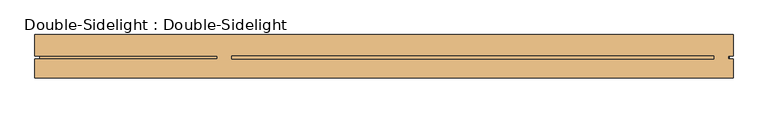
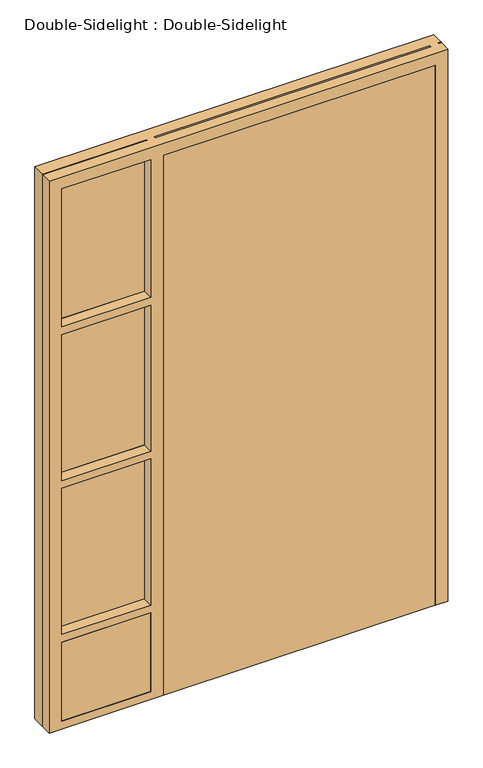
"""IFC4 building model written with IfcOpenShell, lengths in millimetres: door geometry, Double-Sidelight : Double-Sidelight."""

from ifc_helpers import new_model, si_unit, frame, origin, place, context, project, spatial, polyline, circle_curve, ellipse_curve, outline, extrude, source, transform, mapped, element, save
from ifc_brep_helpers import plane_surface, cylinder_surface, revolved_surface, advanced_brep


def double_sidelight_double_sidelight_9008b087(model_context):
    return source(origin(), model_context, "Body", "SolidModel", [
        advanced_brep(
        [(496.4, 0.0, 2086.6), (-496.4, 0.0, 2086.6), (-496.4, -44.45, 2086.6), (496.4, -44.45, 2086.6), (496.4, 0.0, 0.0), (496.4, -44.45, 0.0), (-496.4, -44.45, 0.0), (-496.4, 0.0, 0.0), (396.4, 0.0, 200.0), (396.4, 0.0, 745.5333333), (-396.4, 0.0, 745.5333333), (-396.4, 0.0, 200.0), (396.4, 0.0, 845.5333333), (396.4, 0.0, 1986.6), (-396.4, 0.0, 1986.6), (-396.4, 0.0, 845.5333333), (308.036302, 0.0, 657.1696353), (308.036302, 0.0, 288.363698), (-308.036302, 0.0, 288.363698), (-308.036302, 0.0, 657.1696353), (308.036302, 0.0, 1898.236302), (308.036302, 0.0, 933.8970313), (-308.036302, 0.0, 933.8970313), (-308.036302, 0.0, 1898.236302), (396.4, -1.0183566, 200.0), (396.4, -1.0183566, 745.5333333), (350.7336102, -6.6315511, 699.8669435), (350.7336102, -6.6315511, 245.6663898), (358.1657406, -4.9144196, 707.2990739), (358.1657406, -4.9144196, 238.2342594), (-396.4, -1.0183566, 200.0), (-350.7336102, -6.6315511, 245.6663898), (-358.1657406, -4.9144196, 238.2342594), (-396.4, -1.0183566, 745.5333333), (-350.7336102, -6.6315511, 699.8669435), (-358.1657406, -4.9144196, 707.2990739), (396.4, -1.0183566, 845.5333333), (396.4, -1.0183566, 1986.6), (350.7336102, -6.6315511, 1940.9336102), (350.7336102, -6.6315511, 891.1997232), (358.1657406, -4.9144196, 1948.3657406), (358.1657406, -4.9144196, 883.7675927), (-396.4, -1.0183566, 845.5333333), (-350.7336102, -6.6315511, 891.1997232), (-358.1657406, -4.9144196, 883.7675927), (-396.4, -1.0183566, 1986.6), (-350.7336102, -6.6315511, 1940.9336102), (-358.1657406, -4.9144196, 1948.3657406)],
        [
            (0, 1),
            (1, 2),
            (2, 3),
            (3, 0),
            (4, 5),
            (5, 6),
            (6, 7),
            (7, 4),
            (0, 4),
            (7, 1),
            (8, 9),
            (9, 10),
            (10, 11),
            (11, 8),
            (12, 13),
            (13, 14),
            (14, 15),
            (15, 12),
            (16, 17),
            (17, 18),
            (18, 19),
            (19, 16),
            (20, 21),
            (21, 22),
            (22, 23),
            (23, 20),
            (6, 2),
            (5, 3),
            (24, 25),
            (25, 9),
            (8, 24),
            (26, 27),
            (27, 17, ellipse_curve(frame((341.7362017, 76.2078428, 254.6637983), z_axis=(-0.7071067811865475, 0.0, -0.7071067811865475), x_axis=(-0.7071067811865474, 0.0, 0.7071067811865476)), 117.8415763, 83.3265777)),
            (16, 26, ellipse_curve(frame((341.7362017, 76.2078428, 690.869535), z_axis=(-0.7071067811865475, 0.0, 0.7071067811865475), x_axis=(0.7071067811865474, 0.0, 0.7071067811865476)), 117.8415763, 83.3265777)),
            (26, 28, ellipse_curve(frame((354.6915169, -6.8197298, 703.8248503), z_axis=(0.7071067811865475, 0.0, -0.7071067811865475), x_axis=(-0.7071067811865474, 0.0, -0.7071067811865476)), 5.6036483, 3.9623777)),
            (28, 29),
            (29, 27, ellipse_curve(frame((354.6915169, -6.8197298, 241.7084831), z_axis=(0.7071067811865475, 0.0, 0.7071067811865475), x_axis=(0.7071067811865474, 0.0, -0.7071067811865476)), 5.6036483, 3.9623777)),
            (24, 29, ellipse_curve(frame((389.6777904, -124.6047169, 206.7222096), z_axis=(0.7071067811865475, 0.0, 0.7071067811865475), x_axis=(0.7071067811865474, 0.0, -0.7071067811865476)), 175.0358624, 123.7690453)),
            (28, 25, ellipse_curve(frame((389.6777904, -124.6047169, 738.8111238), z_axis=(0.7071067811865475, 0.0, -0.7071067811865475), x_axis=(-0.7071067811865474, 0.0, -0.7071067811865476)), 175.0358624, 123.7690453)),
            (30, 24),
            (11, 30),
            (27, 31),
            (31, 18, ellipse_curve(frame((-341.7362017, 76.2078428, 254.6637983), z_axis=(-0.7071067811865475, 0.0, 0.7071067811865475), x_axis=(0.7071067811865476, 0.0, 0.7071067811865474)), 117.8415763, 83.3265777)),
            (29, 32),
            (32, 31, ellipse_curve(frame((-354.6915169, -6.8197298, 241.7084831), z_axis=(0.7071067811865475, 0.0, -0.7071067811865475), x_axis=(-0.7071067811865476, 0.0, -0.7071067811865474)), 5.6036483, 3.9623777)),
            (30, 32, ellipse_curve(frame((-389.6777904, -124.6047169, 206.7222096), z_axis=(0.7071067811865475, 0.0, -0.7071067811865475), x_axis=(-0.7071067811865476, 0.0, -0.7071067811865474)), 175.0358624, 123.7690453)),
            (33, 30),
            (10, 33),
            (31, 34),
            (34, 19, ellipse_curve(frame((-341.7362017, 76.2078428, 690.869535), z_axis=(0.7071067811865475, 0.0, 0.7071067811865475), x_axis=(0.7071067811865474, 0.0, -0.7071067811865476)), 117.8415763, 83.3265777)),
            (32, 35),
            (35, 34, ellipse_curve(frame((-354.6915169, -6.8197298, 703.8248503), z_axis=(-0.7071067811865475, 0.0, -0.7071067811865475), x_axis=(-0.7071067811865474, 0.0, 0.7071067811865476)), 5.6036483, 3.9623777)),
            (33, 35, ellipse_curve(frame((-389.6777904, -124.6047169, 738.8111238), z_axis=(-0.7071067811865475, 0.0, -0.7071067811865475), x_axis=(-0.7071067811865474, 0.0, 0.7071067811865476)), 175.0358624, 123.7690453)),
            (25, 33),
            (34, 26),
            (35, 28),
            (36, 37),
            (37, 13),
            (12, 36),
            (38, 39),
            (39, 21, ellipse_curve(frame((341.7362017, 76.2078428, 900.1971316), z_axis=(-0.7071067811865475, 0.0, -0.7071067811865475), x_axis=(-0.7071067811865474, 0.0, 0.7071067811865476)), 117.8415763, 83.3265777)),
            (20, 38, ellipse_curve(frame((341.7362017, 76.2078428, 1931.9362017), z_axis=(-0.7071067811865475, 0.0, 0.7071067811865475), x_axis=(0.7071067811865474, 0.0, 0.7071067811865476)), 117.8415763, 83.3265777)),
            (38, 40, ellipse_curve(frame((354.6915169, -6.8197298, 1944.8915169), z_axis=(0.7071067811865475, 0.0, -0.7071067811865475), x_axis=(-0.7071067811865474, 0.0, -0.7071067811865476)), 5.6036483, 3.9623777)),
            (40, 41),
            (41, 39, ellipse_curve(frame((354.6915169, -6.8197298, 887.2418164), z_axis=(0.7071067811865475, 0.0, 0.7071067811865475), x_axis=(0.7071067811865474, 0.0, -0.7071067811865476)), 5.6036483, 3.9623777)),
            (36, 41, ellipse_curve(frame((389.6777904, -124.6047169, 852.2555429), z_axis=(0.7071067811865475, 0.0, 0.7071067811865475), x_axis=(0.7071067811865474, 0.0, -0.7071067811865476)), 175.0358624, 123.7690453)),
            (40, 37, ellipse_curve(frame((389.6777904, -124.6047169, 1979.8777904), z_axis=(0.7071067811865475, 0.0, -0.7071067811865475), x_axis=(-0.7071067811865474, 0.0, -0.7071067811865476)), 175.0358624, 123.7690453)),
            (42, 36),
            (15, 42),
            (39, 43),
            (43, 22, ellipse_curve(frame((-341.7362017, 76.2078428, 900.1971316), z_axis=(-0.7071067811865475, 0.0, 0.7071067811865475), x_axis=(0.7071067811865476, 0.0, 0.7071067811865474)), 117.8415763, 83.3265777)),
            (41, 44),
            (44, 43, ellipse_curve(frame((-354.6915169, -6.8197298, 887.2418164), z_axis=(0.7071067811865475, 0.0, -0.7071067811865475), x_axis=(-0.7071067811865476, 0.0, -0.7071067811865474)), 5.6036483, 3.9623777)),
            (42, 44, ellipse_curve(frame((-389.6777904, -124.6047169, 852.2555429), z_axis=(0.7071067811865475, 0.0, -0.7071067811865475), x_axis=(-0.7071067811865476, 0.0, -0.7071067811865474)), 175.0358624, 123.7690453)),
            (45, 42),
            (14, 45),
            (43, 46),
            (46, 23, ellipse_curve(frame((-341.7362017, 76.2078428, 1931.9362017), z_axis=(0.7071067811865475, 0.0, 0.7071067811865475), x_axis=(0.7071067811865474, 0.0, -0.7071067811865476)), 117.8415763, 83.3265777)),
            (44, 47),
            (47, 46, ellipse_curve(frame((-354.6915169, -6.8197298, 1944.8915169), z_axis=(-0.7071067811865475, 0.0, -0.7071067811865475), x_axis=(-0.7071067811865474, 0.0, 0.7071067811865476)), 5.6036483, 3.9623777)),
            (45, 47, ellipse_curve(frame((-389.6777904, -124.6047169, 1979.8777904), z_axis=(-0.7071067811865475, 0.0, -0.7071067811865475), x_axis=(-0.7071067811865474, 0.0, 0.7071067811865476)), 175.0358624, 123.7690453)),
            (37, 45),
            (46, 38),
            (47, 40),
        ],
        [
            plane_surface(frame((-496.4, 0.0, 2086.6), z_axis=(0.0, 0.0, 1.0), x_axis=(-1.0, 0.0, 0.0))),
            plane_surface(frame((-496.4, 0.0, 0.0), z_axis=(0.0, 0.0, -1.0), x_axis=(1.0, 0.0, 0.0))),
            plane_surface(frame((496.4, 0.0, 2086.6), z_axis=(0.0, 1.0, 0.0), x_axis=(0.0, 0.0, -1.0))),
            plane_surface(frame((-496.4, 0.0, 2086.6), z_axis=(-1.0, 0.0, 0.0), x_axis=(0.0, 0.0, -1.0))),
            plane_surface(frame((-496.4, -44.45, 2086.6), z_axis=(0.0, -1.0, 0.0), x_axis=(0.0, 0.0, -1.0))),
            plane_surface(frame((496.4, -44.45, 2086.6), z_axis=(1.0, 0.0, 0.0), x_axis=(0.0, 0.0, -1.0))),
            plane_surface(frame((396.4, -1.0183566, 745.5333333), z_axis=(-1.0, 0.0, 0.0), x_axis=(0.0, 0.0, -1.0))),
            revolved_surface(polyline([(258.409624, 76.2078428, 774.196112707442), (258.409624, 76.2078428, 171.33722059255808)]), (341.7362017, 76.2078428, 745.5333333), (0.0, 0.0, 1.0)),
            cylinder_surface(frame((354.6915169, -6.8197298, 745.5333333), z_axis=(0.0, 0.0, -1.0), x_axis=(-1.0, 0.0, 0.0)), 3.9623777),
            cylinder_surface(frame((389.6777904, -124.6047169, 745.5333333), z_axis=(0.0, 0.0, -1.0), x_axis=(-1.0, 0.0, 0.0)), 123.7690453),
            plane_surface(frame((396.4, -1.0183566, 200.0), z_axis=(0.0, 0.0, 1.0), x_axis=(-1.0, 0.0, 0.0))),
            revolved_surface(polyline([(425.0627794074419, 76.2078428, 337.99037599999997), (-425.0627794074419, 76.2078428, 337.99037599999997)]), (396.4, 76.2078428, 254.6637983), (1.0, 0.0, 0.0)),
            cylinder_surface(frame((396.4, -6.8197298, 241.7084831), z_axis=(-1.0, 0.0, 0.0), x_axis=(0.0, 0.0, 1.0)), 3.9623777),
            cylinder_surface(frame((396.4, -124.6047169, 206.7222096), z_axis=(-1.0, 0.0, 0.0), x_axis=(0.0, 0.0, 1.0)), 123.7690453),
            plane_surface(frame((-396.4, -1.0183566, 200.0), z_axis=(1.0, 0.0, 0.0), x_axis=(0.0, 0.0, 1.0))),
            revolved_surface(polyline([(-258.409624, 76.2078428, 171.33722059255808), (-258.409624, 76.2078428, 774.196112707442)]), (-341.7362017, 76.2078428, 200.0), (0.0, 0.0, -1.0)),
            cylinder_surface(frame((-354.6915169, -6.8197298, 200.0), z_axis=(0.0, 0.0, 1.0), x_axis=(1.0, 0.0, 0.0)), 3.9623777),
            cylinder_surface(frame((-389.6777904, -124.6047169, 200.0), z_axis=(0.0, 0.0, 1.0), x_axis=(1.0, 0.0, 0.0)), 123.7690453),
            plane_surface(frame((-396.4, -1.0183566, 745.5333333), z_axis=(0.0, 0.0, -1.0), x_axis=(1.0, 0.0, 0.0))),
            revolved_surface(polyline([(-425.0627794074419, 76.2078428, 607.5429573), (425.0627794074419, 76.2078428, 607.5429573)]), (-396.4, 76.2078428, 690.869535), (-1.0, 0.0, 0.0)),
            cylinder_surface(frame((-396.4, -6.8197298, 703.8248503), z_axis=(1.0, 0.0, 0.0), x_axis=(0.0, 0.0, -1.0)), 3.9623777),
            cylinder_surface(frame((-396.4, -124.6047169, 738.8111238), z_axis=(1.0, 0.0, 0.0), x_axis=(0.0, 0.0, -1.0)), 123.7690453),
            plane_surface(frame((396.4, -1.0183566, 1986.6), z_axis=(-1.0, 0.0, 0.0), x_axis=(0.0, 0.0, -1.0))),
            revolved_surface(polyline([(258.409624, 76.2078428, 2015.262779407442), (258.409624, 76.2078428, 816.8705538925581)]), (341.7362017, 76.2078428, 1986.6), (0.0, 0.0, 1.0)),
            cylinder_surface(frame((354.6915169, -6.8197298, 1986.6), z_axis=(0.0, 0.0, -1.0), x_axis=(-1.0, 0.0, 0.0)), 3.9623777),
            cylinder_surface(frame((389.6777904, -124.6047169, 1986.6), z_axis=(0.0, 0.0, -1.0), x_axis=(-1.0, 0.0, 0.0)), 123.7690453),
            plane_surface(frame((396.4, -1.0183566, 845.5333333), z_axis=(0.0, 0.0, 1.0), x_axis=(-1.0, 0.0, 0.0))),
            revolved_surface(polyline([(425.0627794074419, 76.2078428, 983.5237093000001), (-425.0627794074419, 76.2078428, 983.5237093000001)]), (396.4, 76.2078428, 900.1971316), (1.0, 0.0, 0.0)),
            cylinder_surface(frame((396.4, -6.8197298, 887.2418164), z_axis=(-1.0, 0.0, 0.0), x_axis=(0.0, 0.0, 1.0)), 3.9623777),
            cylinder_surface(frame((396.4, -124.6047169, 852.2555429), z_axis=(-1.0, 0.0, 0.0), x_axis=(0.0, 0.0, 1.0)), 123.7690453),
            plane_surface(frame((-396.4, -1.0183566, 845.5333333), z_axis=(1.0, 0.0, 0.0), x_axis=(0.0, 0.0, 1.0))),
            revolved_surface(polyline([(-258.409624, 76.2078428, 816.8705538925581), (-258.409624, 76.2078428, 2015.262779407442)]), (-341.7362017, 76.2078428, 845.5333333), (0.0, 0.0, -1.0)),
            cylinder_surface(frame((-354.6915169, -6.8197298, 845.5333333), z_axis=(0.0, 0.0, 1.0), x_axis=(1.0, 0.0, 0.0)), 3.9623777),
            cylinder_surface(frame((-389.6777904, -124.6047169, 845.5333333), z_axis=(0.0, 0.0, 1.0), x_axis=(1.0, 0.0, 0.0)), 123.7690453),
            plane_surface(frame((-396.4, -1.0183566, 1986.6), z_axis=(0.0, 0.0, -1.0), x_axis=(1.0, 0.0, 0.0))),
            revolved_surface(polyline([(-425.0627794074419, 76.2078428, 1848.6096240000002), (425.0627794074419, 76.2078428, 1848.6096240000002)]), (-396.4, 76.2078428, 1931.9362017), (-1.0, 0.0, 0.0)),
            cylinder_surface(frame((-396.4, -6.8197298, 1944.8915169), z_axis=(1.0, 0.0, 0.0), x_axis=(0.0, 0.0, -1.0)), 3.9623777),
            cylinder_surface(frame((-396.4, -124.6047169, 1979.8777904), z_axis=(1.0, 0.0, 0.0), x_axis=(0.0, 0.0, -1.0)), 123.7690453),
        ],
        [
            (0, [[1, 2, 3, 4]]),
            (1, [[5, 6, 7, 8]]),
            (2, [[-1, 9, -8, 10], [11, 12, 13, 14], [15, 16, 17, 18]]),
            (2, [[19, 20, 21, 22]]),
            (2, [[23, 24, 25, 26]]),
            (3, [[-2, -10, -7, 27]]),
            (4, [[-3, -27, -6, 28]]),
            (5, [[-4, -28, -5, -9]]),
            (6, [[29, 30, -11, 31]]),
            (7, [[32, 33, -19, 34]]),
            (8, [[-32, 35, 36, 37]]),
            (9, [[-29, 38, -36, 39]]),
            (10, [[40, -31, -14, 41]]),
            (11, [[42, 43, -20, -33]]),
            (12, [[-37, 44, 45, -42]]),
            (13, [[-38, -40, 46, -44]]),
            (14, [[47, -41, -13, 48]]),
            (15, [[49, 50, -21, -43]]),
            (16, [[-45, 51, 52, -49]]),
            (17, [[-46, -47, 53, -51]]),
            (18, [[54, -48, -12, -30]]),
            (19, [[55, -34, -22, -50]]),
            (20, [[-35, -55, -52, 56]]),
            (21, [[-39, -56, -53, -54]]),
            (22, [[57, 58, -15, 59]]),
            (23, [[60, 61, -23, 62]]),
            (24, [[-60, 63, 64, 65]]),
            (25, [[-57, 66, -64, 67]]),
            (26, [[68, -59, -18, 69]]),
            (27, [[70, 71, -24, -61]]),
            (28, [[-65, 72, 73, -70]]),
            (29, [[-66, -68, 74, -72]]),
            (30, [[75, -69, -17, 76]]),
            (31, [[77, 78, -25, -71]]),
            (32, [[-73, 79, 80, -77]]),
            (33, [[-74, -75, 81, -79]]),
            (34, [[82, -76, -16, -58]]),
            (35, [[83, -62, -26, -78]]),
            (36, [[-63, -83, -80, 84]]),
            (37, [[-67, -84, -81, -82]]),
        ],
    ),
        extrude(outline(polyline([(-874.4, -6.0), (-874.4, 0.0), (-533.4, 0.0), (-533.4, -6.0), (-874.4, -6.0)])), frame((0.0, 0.0, 960.7333333), z_axis=(0.0, 0.0, 1.0), x_axis=(1.0, 0.0, 0.0)), (0.0, 0.0, 1.0), 573.3333333),
        advanced_brep(
        [(-867.4, 45.0, 0.0), (-867.4, 43.0, 0.0), (-861.4, 37.0, 0.0), (-541.4, 37.0, 0.0), (-535.4, 43.0, 0.0), (-535.4, 45.0, 0.0), (-496.4, 45.0, 0.0), (-496.4, 43.0, 0.0), (-490.4, 37.0, 0.0), (-488.4, 37.0, 0.0), (-488.4, 0.0, 0.0), (-503.4, 0.0, 0.0), (-503.4, -6.0, 0.0), (-496.4, -6.0, 0.0), (-496.4, -45.0, 0.0), (-914.4, -45.0, 0.0), (-914.4, -6.0, 0.0), (-904.4, -6.0, 0.0), (-904.4, 0.0, 0.0), (-914.4, 0.0, 0.0), (-914.4, 45.0, 0.0), (-533.4, -6.0, 0.0), (-533.4, 0.0, 0.0), (-874.4, 0.0, 0.0), (-874.4, -6.0, 0.0), (-867.4, 45.0, 8.0), (-867.4, 43.0, 8.0), (-867.4, 45.0, 343.0), (-867.4, 43.0, 343.0), (-867.4, 43.0, 22.0), (-867.4, 45.0, 22.0), (-867.4, 45.0, 937.5333333), (-867.4, 43.0, 937.5333333), (-867.4, 43.0, 357.0), (-867.4, 45.0, 357.0), (-867.4, 45.0, 2086.6), (-867.4, 43.0, 2086.6), (-867.4, 43.0, 1546.0666667), (-867.4, 45.0, 1546.0666667), (-867.4, 45.0, 1532.0666667), (-867.4, 43.0, 1532.0666667), (-867.4, 43.0, 951.5333333), (-867.4, 45.0, 951.5333333), (-861.4, 37.0, 2.0), (-861.4, 37.0, 337.0), (-861.4, 37.0, 28.0), (-861.4, 37.0, 931.5333333), (-861.4, 37.0, 363.0), (-861.4, 37.0, 2080.6), (-861.4, 37.0, 1552.0666667), (-861.4, 37.0, 1526.0666667), (-861.4, 37.0, 957.5333333), (-541.4, 37.0, 931.5333333), (-541.4, 37.0, 363.0), (-543.4, 37.0, 929.5333333), (-859.4, 37.0, 929.5333333), (-859.4, 37.0, 365.0), (-543.4, 37.0, 365.0), (-541.4, 37.0, 1526.0666667), (-541.4, 37.0, 957.5333333), (-543.4, 37.0, 1524.0666667), (-859.4, 37.0, 1524.0666667), (-859.4, 37.0, 959.5333333), (-543.4, 37.0, 959.5333333), (-543.4, 37.0, 2.0), (-543.4, 37.0, 28.0), (-541.4, 37.0, 337.0), (-859.4, 37.0, 335.0), (-859.4, 37.0, 30.0), (-543.4, 37.0, 30.0), (-543.4, 37.0, 335.0), (490.4, 37.0, 2080.6), (490.4, 37.0, 0.0), (488.4, 37.0, 0.0), (488.4, 37.0, 2078.6), (-488.4, 37.0, 2078.6), (-490.4, 37.0, 2080.6), (-541.4, 37.0, 2080.6), (-541.4, 37.0, 1552.0666667), (-543.4, 37.0, 2078.6), (-859.4, 37.0, 2078.6), (-859.4, 37.0, 1554.0666667), (-543.4, 37.0, 1554.0666667), (-859.4, 0.0, 335.0), (-859.4, 0.0, 30.0), (-859.4, 0.0, 929.5333333), (-859.4, 0.0, 365.0), (-859.4, 0.0, 2078.6), (-859.4, 0.0, 1554.0666667), (-859.4, 0.0, 1524.0666667), (-859.4, 0.0, 959.5333333), (-874.4, 0.0, 2093.6), (-533.4, 0.0, 2093.6), (-543.4, 0.0, 929.5333333), (-543.4, 0.0, 365.0), (-867.4, 0.0, 345.0), (-867.4, 0.0, 355.0), (-535.4, 0.0, 355.0), (-535.4, 0.0, 345.0), (-867.4, 0.0, 939.5333333), (-867.4, 0.0, 949.5333333), (-535.4, 0.0, 949.5333333), (-535.4, 0.0, 939.5333333), (-543.4, 0.0, 1524.0666667), (-543.4, 0.0, 959.5333333), (-867.4, 0.0, 1534.0666667), (-867.4, 0.0, 1544.0666667), (-535.4, 0.0, 1544.0666667), (-535.4, 0.0, 1534.0666667), (-543.4, 0.0, 335.0), (-543.4, 0.0, 30.0), (-543.4, 0.0, 20.0), (-543.4, 0.0, 10.0), (-867.4, 0.0, 10.0), (-867.4, 0.0, 20.0), (-543.4, 0.0, 2078.6), (-543.4, 0.0, 1554.0666667), (488.4, 0.0, 2078.6), (488.4, 0.0, 0.0), (503.4, 0.0, 0.0), (503.4, 0.0, 1534.0666667), (496.4, 0.0, 1534.0666667), (496.4, 0.0, 1544.0666667), (503.4, 0.0, 1544.0666667), (503.4, 0.0, 2093.6), (-503.4, 0.0, 2093.6), (-488.4, 0.0, 2078.6), (-874.4, -6.0, 2093.6), (503.4, -6.0, 0.0), (496.4, -6.0, 0.0), (496.4, -6.0, 1534.0666667), (503.4, -6.0, 1534.0666667), (-533.4, -6.0, 2093.6), (-543.4, -6.0, 929.5333333), (-867.4, -6.0, 929.5333333), (-867.4, -6.0, 365.0), (-543.4, -6.0, 365.0), (-867.4, -6.0, 355.0), (-867.4, -6.0, 345.0), (-535.4, -6.0, 345.0), (-535.4, -6.0, 355.0), (-867.4, -6.0, 949.5333333), (-867.4, -6.0, 939.5333333), (-535.4, -6.0, 939.5333333), (-535.4, -6.0, 949.5333333), (-543.4, -6.0, 1524.0666667), (-867.4, -6.0, 1524.0666667), (-867.4, -6.0, 959.5333333), (-543.4, -6.0, 959.5333333), (-867.4, -6.0, 1544.0666667), (-867.4, -6.0, 1534.0666667), (-535.4, -6.0, 1534.0666667), (-535.4, -6.0, 1544.0666667), (-867.4, -6.0, 335.0), (-867.4, -6.0, 30.0), (-543.4, -6.0, 30.0), (-543.4, -6.0, 335.0), (-867.4, -6.0, 20.0), (-867.4, -6.0, 10.0), (-543.4, -6.0, 10.0), (-543.4, -6.0, 20.0), (-543.4, -6.0, 2086.6), (-867.4, -6.0, 2086.6), (-867.4, -6.0, 1554.0666667), (-543.4, -6.0, 1554.0666667), (503.4, -6.0, 1544.0666667), (496.4, -6.0, 1544.0666667), (496.4, -6.0, 2086.6), (-496.4, -6.0, 2086.6), (-503.4, -6.0, 2093.6), (503.4, -6.0, 2093.6), (-867.4, -45.0, 335.0), (-867.4, -45.0, 30.0), (-867.4, -45.0, 929.5333333), (-867.4, -45.0, 365.0), (-867.4, -45.0, 2086.6), (-867.4, -45.0, 1554.0666667), (-867.4, -45.0, 1524.0666667), (-867.4, -45.0, 959.5333333), (-496.4, -45.0, 2086.6), (496.4, -45.0, 2086.6), (496.4, -45.0, 0.0), (543.4, -45.0, 0.0), (543.4, -45.0, 2133.6), (-914.4, -45.0, 2133.6), (-543.4, -45.0, 929.5333333), (-543.4, -45.0, 365.0), (-543.4, -45.0, 1524.0666667), (-543.4, -45.0, 959.5333333), (-543.4, -45.0, 335.0), (-543.4, -45.0, 30.0), (-543.4, -45.0, 2086.6), (-543.4, -45.0, 1554.0666667), (-914.4, -6.0, 2133.6), (-533.4, -6.0, 2133.6), (-533.4, -6.0, 2123.6), (-543.4, -6.0, 2123.6), (-904.4, -6.0, 2123.6), (543.4, -6.0, 2133.6), (543.4, -6.0, 0.0), (533.4, -6.0, 0.0), (533.4, -6.0, 1524.0666667), (533.4, -6.0, 1534.0666667), (535.4, -6.0, 1534.0666667), (535.4, -6.0, 1544.0666667), (533.4, -6.0, 1544.0666667), (533.4, -6.0, 1554.0666667), (533.4, -6.0, 2133.6), (503.4, -6.0, 2123.6), (496.4, -6.0, 2123.6), (-496.4, -6.0, 2123.6), (-503.4, -6.0, 2123.6), (-503.4, -6.0, 2133.6), (503.4, -6.0, 2133.6), (-904.4, 0.0, 2123.6), (-543.4, 0.0, 2123.6), (-533.4, 0.0, 2123.6), (-533.4, 0.0, 2133.6), (-914.4, 0.0, 2133.6), (533.4, 0.0, 0.0), (543.4, 0.0, 0.0), (543.4, 0.0, 2133.6), (533.4, 0.0, 2133.6), (533.4, 0.0, 1554.0666667), (533.4, 0.0, 1544.0666667), (535.4, 0.0, 1544.0666667), (535.4, 0.0, 1534.0666667), (533.4, 0.0, 1534.0666667), (533.4, 0.0, 1524.0666667), (488.4, 0.0, 2123.6), (503.4, 0.0, 2123.6), (503.4, 0.0, 2133.6), (-503.4, 0.0, 2133.6), (-503.4, 0.0, 2123.6), (-488.4, 0.0, 2123.6), (-914.4, 45.0, 2133.6), (543.4, 45.0, 2133.6), (543.4, 45.0, 0.0), (496.4, 45.0, 0.0), (496.4, 45.0, 2086.6), (-496.4, 45.0, 2086.6), (-535.4, 45.0, 343.0), (-543.4, 45.0, 22.0), (-543.4, 45.0, 8.0), (-535.4, 45.0, 937.5333333), (-535.4, 45.0, 357.0), (-535.4, 45.0, 1532.0666667), (-535.4, 45.0, 951.5333333), (-535.4, 45.0, 2086.6), (-535.4, 45.0, 1546.0666667), (-535.4, 43.0, 343.0), (-535.4, 43.0, 951.5333333), (-535.4, 43.0, 937.5333333), (-535.4, 43.0, 357.0), (-535.4, 43.0, 2086.6), (-535.4, 43.0, 1546.0666667), (-535.4, 43.0, 1532.0666667), (496.4, 43.0, 0.0), (543.4, 37.0, 0.0), (-496.4, 43.0, 2086.6), (496.4, 43.0, 2086.6), (496.4, 43.0, 1546.0666667), (496.4, 43.0, 1532.0666667), (-543.4, 43.0, 8.0), (-543.4, 43.0, 22.0)],
        [
            (0, 1),
            (1, 2, circle_curve(frame((-867.4, 37.0, 0.0), z_axis=(0.0, 0.0, -1.0), x_axis=(0.0, -1.0, 0.0)), 6.0)),
            (2, 3),
            (3, 4, circle_curve(frame((-535.4, 37.0, 0.0), z_axis=(0.0, 0.0, -1.0), x_axis=(0.0, -1.0, 0.0)), 6.0)),
            (4, 5),
            (5, 6),
            (6, 7),
            (7, 8, circle_curve(frame((-496.4, 37.0, 0.0), z_axis=(0.0, 0.0, -1.0), x_axis=(0.0, -1.0, 0.0)), 6.0)),
            (8, 9),
            (9, 10),
            (10, 11),
            (11, 12),
            (12, 13),
            (13, 14),
            (14, 15),
            (15, 16),
            (16, 17),
            (17, 18),
            (18, 19),
            (19, 20),
            (20, 0),
            (21, 22),
            (22, 23),
            (23, 24),
            (24, 21),
            (0, 25),
            (25, 26),
            (26, 1),
            (27, 28),
            (28, 29),
            (29, 30),
            (30, 27),
            (31, 32),
            (32, 33),
            (33, 34),
            (34, 31),
            (35, 36),
            (36, 37),
            (37, 38),
            (38, 35),
            (39, 40),
            (40, 41),
            (41, 42),
            (42, 39),
            (26, 43, ellipse_curve(frame((-867.4, 37.0, 8.0), z_axis=(-0.7071067811865475, 0.0, -0.7071067811865476), x_axis=(0.7071067811865476, 0.0, -0.7071067811865475)), 8.4852814, 6.0)),
            (43, 2),
            (28, 44, ellipse_curve(frame((-867.4, 37.0, 343.0), z_axis=(-0.7071067811865475, 0.0, -0.7071067811865475), x_axis=(0.7071067811865474, 0.0, -0.7071067811865476)), 8.4852814, 6.0)),
            (44, 45),
            (45, 29, ellipse_curve(frame((-867.4, 37.0, 22.0), z_axis=(-0.7071067811865476, 0.0, 0.7071067811865475), x_axis=(-0.7071067811865475, 0.0, -0.7071067811865476)), 8.4852814, 6.0)),
            (32, 46, ellipse_curve(frame((-867.4, 37.0, 937.5333333), z_axis=(-0.7071067811865475, 0.0, -0.7071067811865475), x_axis=(0.7071067811865474, 0.0, -0.7071067811865476)), 8.4852814, 6.0)),
            (46, 47),
            (47, 33, ellipse_curve(frame((-867.4, 37.0, 357.0), z_axis=(-0.7071067811865475, 0.0, 0.7071067811865475), x_axis=(-0.7071067811865474, 0.0, -0.7071067811865476)), 8.4852814, 6.0)),
            (36, 48, ellipse_curve(frame((-867.4, 37.0, 2086.6), z_axis=(-0.7071067811865475, 0.0, -0.7071067811865475), x_axis=(0.7071067811865474, 0.0, -0.7071067811865476)), 8.4852814, 6.0)),
            (48, 49),
            (49, 37, ellipse_curve(frame((-867.4, 37.0, 1546.0666667), z_axis=(-0.7071067811865475, 0.0, 0.7071067811865475), x_axis=(-0.7071067811865474, 0.0, -0.7071067811865476)), 8.4852814, 6.0)),
            (40, 50, ellipse_curve(frame((-867.4, 37.0, 1532.0666667), z_axis=(-0.7071067811865475, 0.0, -0.7071067811865475), x_axis=(0.7071067811865474, 0.0, -0.7071067811865476)), 8.4852814, 6.0)),
            (50, 51),
            (51, 41, ellipse_curve(frame((-867.4, 37.0, 951.5333333), z_axis=(-0.7071067811865475, 0.0, 0.7071067811865475), x_axis=(-0.7071067811865474, 0.0, -0.7071067811865476)), 8.4852814, 6.0)),
            (46, 52),
            (52, 53),
            (53, 47),
            (54, 55),
            (55, 56),
            (56, 57),
            (57, 54),
            (50, 58),
            (58, 59),
            (59, 51),
            (60, 61),
            (61, 62),
            (62, 63),
            (63, 60),
            (43, 64),
            (64, 65),
            (65, 45),
            (44, 66),
            (66, 3),
            (67, 68),
            (68, 69),
            (69, 70),
            (70, 67),
            (71, 72),
            (72, 73),
            (73, 74),
            (74, 75),
            (75, 9),
            (8, 76),
            (76, 71),
            (48, 77),
            (77, 78),
            (78, 49),
            (79, 80),
            (80, 81),
            (81, 82),
            (82, 79),
            (67, 83),
            (83, 84),
            (84, 68),
            (55, 85),
            (85, 86),
            (86, 56),
            (80, 87),
            (87, 88),
            (88, 81),
            (61, 89),
            (89, 90),
            (90, 62),
            (91, 23),
            (22, 92),
            (92, 91),
            (85, 93),
            (93, 94),
            (94, 86),
            (95, 96),
            (96, 97),
            (97, 98),
            (98, 95),
            (99, 100),
            (100, 101),
            (101, 102),
            (102, 99),
            (89, 103),
            (103, 104),
            (104, 90),
            (105, 106),
            (106, 107),
            (107, 108),
            (108, 105),
            (109, 110),
            (110, 84),
            (83, 109),
            (111, 112),
            (112, 113),
            (113, 114),
            (114, 111),
            (87, 115),
            (115, 116),
            (116, 88),
            (117, 118),
            (118, 119),
            (119, 120),
            (120, 121),
            (121, 122),
            (122, 123),
            (123, 124),
            (124, 125),
            (125, 11),
            (10, 126),
            (126, 117),
            (91, 127),
            (127, 24),
            (128, 129),
            (129, 130),
            (130, 131),
            (131, 128),
            (127, 132),
            (132, 21),
            (133, 134),
            (134, 135),
            (135, 136),
            (136, 133),
            (137, 138),
            (138, 139),
            (139, 140),
            (140, 137),
            (141, 142),
            (142, 143),
            (143, 144),
            (144, 141),
            (145, 146),
            (146, 147),
            (147, 148),
            (148, 145),
            (149, 150),
            (150, 151),
            (151, 152),
            (152, 149),
            (153, 154),
            (154, 155),
            (155, 156),
            (156, 153),
            (157, 158),
            (158, 159),
            (159, 160),
            (160, 157),
            (161, 162),
            (162, 163),
            (163, 164),
            (164, 161),
            (165, 166),
            (166, 167),
            (167, 168),
            (168, 13),
            (12, 169),
            (169, 170),
            (170, 165),
            (153, 171),
            (171, 172),
            (172, 154),
            (134, 173),
            (173, 174),
            (174, 135),
            (162, 175),
            (175, 176),
            (176, 163),
            (146, 177),
            (177, 178),
            (178, 147),
            (14, 179),
            (179, 180),
            (180, 181),
            (181, 182),
            (182, 183),
            (183, 184),
            (184, 15),
            (173, 185),
            (185, 186),
            (186, 174),
            (177, 187),
            (187, 188),
            (188, 178),
            (189, 190),
            (190, 172),
            (171, 189),
            (175, 191),
            (191, 192),
            (192, 176),
            (184, 193),
            (193, 16),
            (193, 194),
            (194, 195),
            (195, 196),
            (196, 197),
            (197, 17),
            (198, 199),
            (199, 200),
            (200, 201),
            (201, 202),
            (202, 203),
            (203, 204),
            (204, 205),
            (205, 206),
            (206, 207),
            (207, 198),
            (208, 209),
            (209, 210),
            (210, 211),
            (211, 212),
            (212, 213),
            (213, 208),
            (197, 214),
            (214, 18),
            (214, 215),
            (215, 216),
            (216, 217),
            (217, 218),
            (218, 19),
            (219, 220),
            (220, 221),
            (221, 222),
            (222, 223),
            (223, 224),
            (224, 225),
            (225, 226),
            (226, 227),
            (227, 228),
            (228, 219),
            (229, 230),
            (230, 231),
            (231, 232),
            (232, 233),
            (233, 234),
            (234, 229),
            (218, 235),
            (235, 20),
            (235, 236),
            (236, 237),
            (237, 238),
            (238, 239),
            (239, 240),
            (240, 6),
            (5, 241),
            (241, 27),
            (30, 242),
            (242, 243),
            (243, 25),
            (244, 31),
            (34, 245),
            (245, 244),
            (246, 39),
            (42, 247),
            (247, 246),
            (248, 35),
            (38, 249),
            (249, 248),
            (241, 250),
            (250, 28),
            (41, 251),
            (251, 247),
            (244, 252),
            (252, 32),
            (33, 253),
            (253, 245),
            (250, 66, ellipse_curve(frame((-535.4, 37.0, 343.0), z_axis=(-0.7071067811865476, 0.0, 0.7071067811865475), x_axis=(-0.7071067811865475, 0.0, -0.7071067811865476)), 8.4852814, 6.0)),
            (59, 251, ellipse_curve(frame((-535.4, 37.0, 951.5333333), z_axis=(-0.7071067811865475, 0.0, -0.7071067811865476), x_axis=(-0.7071067811865476, 0.0, 0.7071067811865475)), 8.4852814, 6.0)),
            (252, 52, ellipse_curve(frame((-535.4, 37.0, 937.5333333), z_axis=(-0.7071067811865476, 0.0, 0.7071067811865475), x_axis=(-0.7071067811865475, 0.0, -0.7071067811865476)), 8.4852814, 6.0)),
            (53, 253, ellipse_curve(frame((-535.4, 37.0, 357.0), z_axis=(-0.7071067811865475, 0.0, -0.7071067811865476), x_axis=(-0.7071067811865476, 0.0, 0.7071067811865475)), 8.4852814, 6.0)),
            (252, 253),
            (250, 4),
            (77, 254, ellipse_curve(frame((-535.4, 37.0, 2086.6), z_axis=(0.7071067811865476, 0.0, -0.7071067811865475), x_axis=(0.7071067811865475, 0.0, 0.7071067811865475)), 8.4852814, 6.0)),
            (254, 255),
            (255, 78, ellipse_curve(frame((-535.4, 37.0, 1546.0666667), z_axis=(0.7071067811865475, 0.0, 0.7071067811865476), x_axis=(-0.7071067811865475, 0.0, 0.7071067811865475)), 8.4852814, 6.0)),
            (58, 256, ellipse_curve(frame((-535.4, 37.0, 1532.0666667), z_axis=(0.7071067811865476, 0.0, -0.7071067811865475), x_axis=(0.7071067811865475, 0.0, 0.7071067811865475)), 8.4852814, 6.0)),
            (256, 251),
            (109, 70),
            (69, 110),
            (93, 54),
            (57, 94),
            (115, 79),
            (82, 116),
            (103, 60),
            (63, 104),
            (72, 257, circle_curve(frame((496.4, 37.0, 0.0), z_axis=(0.0, 0.0, -1.0), x_axis=(0.0, -1.0, 0.0)), 6.0)),
            (257, 238),
            (237, 258),
            (258, 220),
            (219, 200),
            (199, 182),
            (181, 129),
            (128, 119),
            (118, 73),
            (75, 126),
            (7, 259),
            (259, 76, ellipse_curve(frame((-496.4, 37.0, 2086.6), z_axis=(-0.7071067811865475, 0.0, -0.7071067811865476), x_axis=(-0.7071067811865475, 0.0, 0.7071067811865475)), 8.4852814, 6.0)),
            (117, 74),
            (71, 260, ellipse_curve(frame((496.4, 37.0, 2086.6), z_axis=(0.7071067811865475, 0.0, -0.7071067811865475), x_axis=(0.7071067811865474, 0.0, 0.7071067811865476)), 8.4852814, 6.0)),
            (260, 261),
            (261, 262),
            (262, 257),
            (132, 92),
            (194, 217),
            (216, 195),
            (95, 138),
            (137, 96),
            (140, 97),
            (139, 98),
            (213, 231),
            (230, 208),
            (125, 169),
            (232, 212),
            (211, 233),
            (131, 120),
            (170, 124),
            (123, 165),
            (99, 142),
            (141, 100),
            (144, 101),
            (143, 102),
            (189, 156),
            (155, 190),
            (185, 133),
            (136, 186),
            (191, 161),
            (164, 192),
            (187, 145),
            (148, 188),
            (168, 179),
            (180, 167),
            (166, 122),
            (121, 130),
            (198, 183),
            (227, 202),
            (222, 207),
            (205, 224),
            (236, 221),
            (254, 248),
            (249, 255),
            (256, 246),
            (260, 239),
            (240, 259),
            (254, 36),
            (260, 259),
            (225, 204),
            (203, 226),
            (105, 150),
            (149, 106),
            (107, 152),
            (151, 108),
            (256, 40),
            (255, 37),
            (243, 263),
            (263, 26),
            (264, 242),
            (29, 264),
            (263, 64, circle_curve(frame((-543.4, 37.0, 8.0), z_axis=(-1.0, 0.0, 0.0), x_axis=(0.0, -1.0, 0.0)), 6.0)),
            (65, 264, circle_curve(frame((-543.4, 37.0, 22.0), z_axis=(-1.0, 0.0, 0.0), x_axis=(0.0, -1.0, 0.0)), 6.0)),
            (111, 160),
            (159, 112),
            (158, 113),
            (157, 114),
        ],
        [
            plane_surface(frame((-914.4, 0.0, 0.0), z_axis=(0.0, 0.0, -1.0), x_axis=(0.0, -1.0, 0.0))),
            plane_surface(frame((-867.4, 45.0, 0.0), z_axis=(1.0, 0.0, 0.0), x_axis=(0.0, 0.0, 1.0))),
            cylinder_surface(frame((-867.4, 37.0, 0.0), z_axis=(0.0, 0.0, -1.0), x_axis=(0.0, -1.0, 0.0)), 6.0),
            plane_surface(frame((-861.4, 37.0, 0.0), z_axis=(0.0, 1.0, 0.0), x_axis=(0.0, 0.0, 1.0))),
            plane_surface(frame((-859.4, 37.0, 0.0), z_axis=(1.0, 0.0, 0.0), x_axis=(0.0, 0.0, 1.0))),
            plane_surface(frame((-859.4, 0.0, 0.0), z_axis=(0.0, -1.0, 0.0), x_axis=(0.0, 0.0, 1.0))),
            plane_surface(frame((-874.4, 0.0, 0.0), z_axis=(1.0, 0.0, 0.0), x_axis=(0.0, 0.0, 1.0))),
            plane_surface(frame((-874.4, -6.0, 0.0), z_axis=(0.0, 1.0, 0.0), x_axis=(0.0, 0.0, 1.0))),
            plane_surface(frame((-867.4, -6.0, 0.0), z_axis=(1.0, 0.0, 0.0), x_axis=(0.0, 0.0, 1.0))),
            plane_surface(frame((-867.4, -45.0, 0.0), z_axis=(0.0, -1.0, 0.0), x_axis=(0.0, 0.0, 1.0))),
            plane_surface(frame((-914.4, -45.0, 0.0), z_axis=(-1.0, 0.0, 0.0), x_axis=(0.0, 0.0, 1.0))),
            plane_surface(frame((-914.4, -6.0, 0.0), z_axis=(0.0, 1.0, 0.0), x_axis=(0.0, 0.0, 1.0))),
            plane_surface(frame((-904.4, -6.0, 0.0), z_axis=(-1.0, 0.0, 0.0), x_axis=(0.0, 0.0, 1.0))),
            plane_surface(frame((-904.4, 0.0, 0.0), z_axis=(0.0, -1.0, 0.0), x_axis=(0.0, 0.0, 1.0))),
            plane_surface(frame((-914.4, 0.0, 0.0), z_axis=(-1.0, 0.0, 0.0), x_axis=(0.0, 0.0, 1.0))),
            plane_surface(frame((-914.4, 45.0, 0.0), z_axis=(0.0, 1.0, 0.0), x_axis=(0.0, 0.0, 1.0))),
            plane_surface(frame((-867.4, 45.0, 343.0), z_axis=(0.0, 0.0, -1.0), x_axis=(1.0, 0.0, 0.0))),
            plane_surface(frame((-867.4, 43.0, 951.5333333), z_axis=(0.0, 0.0, 1.0), x_axis=(1.0, 0.0, 0.0))),
            plane_surface(frame((-867.4, 45.0, 937.5333333), z_axis=(0.0, 0.0, -1.0), x_axis=(1.0, 0.0, 0.0))),
            plane_surface(frame((-867.4, 43.0, 357.0), z_axis=(0.0, 0.0, 1.0), x_axis=(1.0, 0.0, 0.0))),
            cylinder_surface(frame((-867.4, 37.0, 343.0), z_axis=(-1.0, 0.0, 0.0), x_axis=(0.0, -1.0, 0.0)), 6.0),
            cylinder_surface(frame((-867.4, 37.0, 951.5333333), z_axis=(-1.0, 0.0, 0.0), x_axis=(0.0, -1.0, 0.0)), 6.0),
            cylinder_surface(frame((-867.4, 37.0, 937.5333333), z_axis=(-1.0, 0.0, 0.0), x_axis=(0.0, -1.0, 0.0)), 6.0),
            cylinder_surface(frame((-867.4, 37.0, 357.0), z_axis=(-1.0, 0.0, 0.0), x_axis=(0.0, -1.0, 0.0)), 6.0),
            cylinder_surface(frame((-535.4, 37.0, 2133.6), z_axis=(0.0, 0.0, 1.0), x_axis=(0.0, -1.0, 0.0)), 6.0),
            plane_surface(frame((-543.4, 37.0, 2133.6), z_axis=(-1.0, 0.0, 0.0), x_axis=(0.0, 0.0, -1.0))),
            plane_surface(frame((-867.4, 37.0, 335.0), z_axis=(0.0, 0.0, -1.0), x_axis=(1.0, 0.0, 0.0))),
            plane_surface(frame((543.4, 0.0, 0.0), z_axis=(0.0, 0.0, -1.0), x_axis=(0.0, -1.0, 0.0))),
            plane_surface(frame((-488.4, 0.0, 2133.6), z_axis=(1.0, 0.0, 0.0), x_axis=(0.0, 0.0, -1.0))),
            cylinder_surface(frame((-496.4, 37.0, 2133.6), z_axis=(0.0, 0.0, 1.0), x_axis=(0.0, -1.0, 0.0)), 6.0),
            plane_surface(frame((488.4, 37.0, 2078.6), z_axis=(-1.0, 0.0, 0.0), x_axis=(0.0, 0.0, -1.0))),
            cylinder_surface(frame((496.4, 37.0, 2133.6), z_axis=(0.0, 0.0, 1.0), x_axis=(0.0, -1.0, 0.0)), 6.0),
            plane_surface(frame((-867.4, 0.0, 959.5333333), z_axis=(0.0, 0.0, 1.0), x_axis=(1.0, 0.0, 0.0))),
            plane_surface(frame((-867.4, 37.0, 929.5333333), z_axis=(0.0, 0.0, -1.0), x_axis=(1.0, 0.0, 0.0))),
            plane_surface(frame((-867.4, 0.0, 365.0), z_axis=(0.0, 0.0, 1.0), x_axis=(1.0, 0.0, 0.0))),
            plane_surface(frame((-533.4, 0.0, 2133.6), z_axis=(-1.0, 0.0, 0.0), x_axis=(0.0, 0.0, -1.0))),
            plane_surface(frame((-867.4, 0.0, 350.0), z_axis=(-1.0, 0.0, 0.0), x_axis=(0.0, 1.0, 0.0))),
            plane_surface(frame((-867.4, -6.0, 355.0), z_axis=(0.0, 0.0, 1.0), x_axis=(1.0, 0.0, 0.0))),
            plane_surface(frame((-535.4, 0.0, 350.0), z_axis=(1.0, 0.0, 0.0), x_axis=(0.0, 1.0, 0.0))),
            plane_surface(frame((-867.4, 0.0, 345.0), z_axis=(0.0, 0.0, -1.0), x_axis=(1.0, 0.0, 0.0))),
            plane_surface(frame((503.4, 0.0, 2133.6), z_axis=(-1.0, 0.0, 0.0), x_axis=(0.0, 0.0, -1.0))),
            plane_surface(frame((-503.4, -6.0, 2133.6), z_axis=(1.0, 0.0, 0.0), x_axis=(0.0, 0.0, -1.0))),
            plane_surface(frame((503.4, 0.0, 2093.6), z_axis=(-1.0, 0.0, 0.0), x_axis=(0.0, 0.0, -1.0))),
            plane_surface(frame((-867.4, 0.0, 944.5333333), z_axis=(-1.0, 0.0, 0.0), x_axis=(0.0, 1.0, 0.0))),
            plane_surface(frame((-867.4, -6.0, 949.5333333), z_axis=(0.0, 0.0, 1.0), x_axis=(1.0, 0.0, 0.0))),
            plane_surface(frame((-535.4, 0.0, 944.5333333), z_axis=(1.0, 0.0, 0.0), x_axis=(0.0, 1.0, 0.0))),
            plane_surface(frame((-867.4, 0.0, 939.5333333), z_axis=(0.0, 0.0, -1.0), x_axis=(1.0, 0.0, 0.0))),
            plane_surface(frame((-543.4, -6.0, 2133.6), z_axis=(-1.0, 0.0, 0.0), x_axis=(0.0, 0.0, -1.0))),
            plane_surface(frame((-867.4, -6.0, 335.0), z_axis=(0.0, 0.0, -1.0), x_axis=(1.0, 0.0, 0.0))),
            plane_surface(frame((-867.4, -45.0, 365.0), z_axis=(0.0, 0.0, 1.0), x_axis=(1.0, 0.0, 0.0))),
            plane_surface(frame((-867.4, -6.0, 929.5333333), z_axis=(0.0, 0.0, -1.0), x_axis=(1.0, 0.0, 0.0))),
            plane_surface(frame((-496.4, -45.0, 2133.6), z_axis=(1.0, 0.0, 0.0), x_axis=(0.0, 0.0, -1.0))),
            plane_surface(frame((496.4, -6.0, 2086.6), z_axis=(-1.0, 0.0, 0.0), x_axis=(0.0, 0.0, -1.0))),
            plane_surface(frame((-867.4, -45.0, 959.5333333), z_axis=(0.0, 0.0, 1.0), x_axis=(1.0, 0.0, 0.0))),
            plane_surface(frame((543.4, -45.0, 2133.6), z_axis=(1.0, 0.0, 0.0), x_axis=(0.0, 0.0, -1.0))),
            plane_surface(frame((533.4, -6.0, 2123.6), z_axis=(1.0, 0.0, 0.0), x_axis=(0.0, 0.0, -1.0))),
            plane_surface(frame((543.4, 0.0, 2133.6), z_axis=(1.0, 0.0, 0.0), x_axis=(0.0, 0.0, -1.0))),
            plane_surface(frame((-535.4, 45.0, 2133.6), z_axis=(-1.0, 0.0, 0.0), x_axis=(0.0, 0.0, -1.0))),
            plane_surface(frame((496.4, 45.0, 2086.6), z_axis=(-1.0, 0.0, 0.0), x_axis=(0.0, 0.0, -1.0))),
            plane_surface(frame((-496.4, 43.0, 2133.6), z_axis=(1.0, 0.0, 0.0), x_axis=(0.0, 0.0, -1.0))),
            plane_surface(frame((-867.4, 45.0, 2086.6), z_axis=(0.0, 0.0, -1.0), x_axis=(1.0, 0.0, 0.0))),
            cylinder_surface(frame((-914.4, 37.0, 2086.6), z_axis=(-1.0, 0.0, 0.0), x_axis=(0.0, -1.0, 0.0)), 6.0),
            plane_surface(frame((-859.4, 37.0, 2078.6), z_axis=(0.0, 0.0, -1.0), x_axis=(1.0, 0.0, 0.0))),
            plane_surface(frame((-874.4, 0.0, 2093.6), z_axis=(0.0, 0.0, -1.0), x_axis=(1.0, 0.0, 0.0))),
            plane_surface(frame((-867.4, -6.0, 2086.6), z_axis=(0.0, 0.0, -1.0), x_axis=(1.0, 0.0, 0.0))),
            plane_surface(frame((-914.4, -45.0, 2133.6), z_axis=(0.0, 0.0, 1.0), x_axis=(1.0, 0.0, 0.0))),
            plane_surface(frame((-904.4, -6.0, 2123.6), z_axis=(0.0, 0.0, 1.0), x_axis=(1.0, 0.0, 0.0))),
            plane_surface(frame((535.4, 0.0, 1539.0666667), z_axis=(1.0, 0.0, 0.0), x_axis=(0.0, -1.0, 0.0))),
            plane_surface(frame((496.4, 0.0, 1534.0666667), z_axis=(0.0, 0.0, -1.0), x_axis=(1.0, 0.0, 0.0))),
            plane_surface(frame((496.4, -6.0, 1544.0666667), z_axis=(0.0, 0.0, 1.0), x_axis=(1.0, 0.0, 0.0))),
            plane_surface(frame((-867.4, 0.0, 1539.0666667), z_axis=(-1.0, 0.0, 0.0), x_axis=(0.0, 1.0, 0.0))),
            plane_surface(frame((-535.4, 0.0, 1539.0666667), z_axis=(1.0, 0.0, 0.0), x_axis=(0.0, 1.0, 0.0))),
            plane_surface(frame((-867.4, 45.0, 1532.0666667), z_axis=(0.0, 0.0, -1.0), x_axis=(1.0, 0.0, 0.0))),
            cylinder_surface(frame((-867.4, 37.0, 1532.0666667), z_axis=(-1.0, 0.0, 0.0), x_axis=(0.0, -1.0, 0.0)), 6.0),
            plane_surface(frame((-867.4, 37.0, 1524.0666667), z_axis=(0.0, 0.0, -1.0), x_axis=(1.0, 0.0, 0.0))),
            plane_surface(frame((-867.4, 0.0, 1534.0666667), z_axis=(0.0, 0.0, -1.0), x_axis=(1.0, 0.0, 0.0))),
            plane_surface(frame((-867.4, -6.0, 1524.0666667), z_axis=(0.0, 0.0, -1.0), x_axis=(1.0, 0.0, 0.0))),
            plane_surface(frame((-867.4, -45.0, 1554.0666667), z_axis=(0.0, 0.0, 1.0), x_axis=(1.0, 0.0, 0.0))),
            plane_surface(frame((-867.4, -6.0, 1544.0666667), z_axis=(0.0, 0.0, 1.0), x_axis=(1.0, 0.0, 0.0))),
            plane_surface(frame((-867.4, 0.0, 1554.0666667), z_axis=(0.0, 0.0, 1.0), x_axis=(1.0, 0.0, 0.0))),
            cylinder_surface(frame((-867.4, 37.0, 1546.0666667), z_axis=(-1.0, 0.0, 0.0), x_axis=(0.0, -1.0, 0.0)), 6.0),
            plane_surface(frame((-867.4, 43.0, 1546.0666667), z_axis=(0.0, 0.0, 1.0), x_axis=(1.0, 0.0, 0.0))),
            plane_surface(frame((-867.4, 45.0, 8.0), z_axis=(0.0, 0.0, -1.0), x_axis=(1.0, 0.0, 0.0))),
            plane_surface(frame((-867.4, 43.0, 22.0), z_axis=(0.0, 0.0, 1.0), x_axis=(1.0, 0.0, 0.0))),
            cylinder_surface(frame((-867.4, 37.0, 8.0), z_axis=(-1.0, 0.0, 0.0), x_axis=(0.0, -1.0, 0.0)), 6.0),
            cylinder_surface(frame((-867.4, 37.0, 22.0), z_axis=(-1.0, 0.0, 0.0), x_axis=(0.0, -1.0, 0.0)), 6.0),
            plane_surface(frame((-867.4, 0.0, 30.0), z_axis=(0.0, 0.0, 1.0), x_axis=(1.0, 0.0, 0.0))),
            plane_surface(frame((-543.4, 0.0, 15.0), z_axis=(1.0, 0.0, 0.0), x_axis=(0.0, 1.0, 0.0))),
            plane_surface(frame((-867.4, 0.0, 10.0), z_axis=(0.0, 0.0, -1.0), x_axis=(1.0, 0.0, 0.0))),
            plane_surface(frame((-867.4, 0.0, 15.0), z_axis=(-1.0, 0.0, 0.0), x_axis=(0.0, 1.0, 0.0))),
            plane_surface(frame((-867.4, -6.0, 20.0), z_axis=(0.0, 0.0, 1.0), x_axis=(1.0, 0.0, 0.0))),
            plane_surface(frame((-867.4, -45.0, 30.0), z_axis=(0.0, 0.0, 1.0), x_axis=(1.0, 0.0, 0.0))),
        ],
        [
            (0, [[1, 2, 3, 4, 5, 6, 7, 8, 9, 10, 11, 12, 13, 14, 15, 16, 17, 18, 19, 20, 21], [22, 23, 24, 25]]),
            (1, [[-1, 26, 27, 28]]),
            (1, [[29, 30, 31, 32]]),
            (1, [[33, 34, 35, 36]]),
            (1, [[37, 38, 39, 40]]),
            (1, [[41, 42, 43, 44]]),
            (2, [[-2, -28, 45, 46]]),
            (2, [[47, 48, 49, -30]]),
            (2, [[50, 51, 52, -34]]),
            (2, [[53, 54, 55, -38]]),
            (2, [[56, 57, 58, -42]]),
            (3, [[59, 60, 61, -51], [62, 63, 64, 65]]),
            (3, [[66, 67, 68, -57], [69, 70, 71, 72]]),
            (3, [[-3, -46, 73, 74, 75, -48, 76, 77], [78, 79, 80, 81]]),
            (3, [[82, 83, 84, 85, 86, -9, 87, 88]]),
            (3, [[89, 90, 91, -54], [92, 93, 94, 95]]),
            (4, [[96, 97, 98, -78]]),
            (4, [[99, 100, 101, -63]]),
            (4, [[102, 103, 104, -93]]),
            (4, [[105, 106, 107, -70]]),
            (5, [[108, -23, 109, 110], [111, 112, 113, -100], [114, 115, 116, 117], [118, 119, 120, 121], [122, 123, 124, -106], [125, 126, 127, 128], [129, 130, -97, 131], [132, 133, 134, 135], [136, 137, 138, -103]]),
            (5, [[139, 140, 141, 142, 143, 144, 145, 146, 147, -11, 148, 149]]),
            (6, [[-24, -108, 150, 151]]),
            (7, [[152, 153, 154, 155]]),
            (7, [[-25, -151, 156, 157], [158, 159, 160, 161], [162, 163, 164, 165], [166, 167, 168, 169], [170, 171, 172, 173], [174, 175, 176, 177], [178, 179, 180, 181], [182, 183, 184, 185], [186, 187, 188, 189]]),
            (7, [[190, 191, 192, 193, -13, 194, 195, 196]]),
            (8, [[197, 198, 199, -178]]),
            (8, [[200, 201, 202, -159]]),
            (8, [[203, 204, 205, -187]]),
            (8, [[206, 207, 208, -171]]),
            (9, [[-15, 209, 210, 211, 212, 213, 214, 215], [216, 217, 218, -201], [219, 220, 221, -207], [222, 223, -198, 224], [225, 226, 227, -204]]),
            (10, [[-16, -215, 228, 229]]),
            (11, [[-17, -229, 230, 231, 232, 233, 234]]),
            (11, [[235, 236, 237, 238, 239, 240, 241, 242, 243, 244]]),
            (11, [[245, 246, 247, 248, 249, 250]]),
            (12, [[-18, -234, 251, 252]]),
            (13, [[-19, -252, 253, 254, 255, 256, 257]]),
            (13, [[258, 259, 260, 261, 262, 263, 264, 265, 266, 267]]),
            (13, [[268, 269, 270, 271, 272, 273]]),
            (14, [[-20, -257, 274, 275]]),
            (15, [[-21, -275, 276, 277, 278, 279, 280, 281, -6, 282, 283, -32, 284, 285, 286, -26], [287, -36, 288, 289], [290, -44, 291, 292], [293, -40, 294, 295]]),
            (16, [[-283, 296, 297, -29]]),
            (17, [[-291, -43, 298, 299]]),
            (18, [[-287, 300, 301, -33]]),
            (19, [[-288, -35, 302, 303]]),
            (20, [[-297, 304, -76, -47]]),
            (21, [[-298, -58, -68, 305]]),
            (22, [[-301, 306, -59, -50]]),
            (23, [[-302, -52, -61, 307]]),
            (24, [[-306, 308, -307, -60]]),
            (24, [[-4, -77, -304, 309]]),
            (24, [[310, 311, 312, -90]]),
            (24, [[313, 314, -305, -67]]),
            (25, [[315, -80, 316, -129]]),
            (25, [[317, -65, 318, -112]]),
            (25, [[319, -95, 320, -137]]),
            (25, [[321, -72, 322, -123]]),
            (26, [[-131, -96, -81, -315]]),
            (27, [[-83, 323, 324, -278, 325, 326, -258, 327, -236, 328, -212, 329, -152, 330, -140, 331]]),
            (28, [[-10, -86, 332, -148]]),
            (29, [[-8, 333, 334, -87]]),
            (30, [[-84, -331, -139, 335]]),
            (31, [[-82, 336, 337, 338, 339, -323]]),
            (32, [[-124, -322, -71, -107]]),
            (33, [[-111, -99, -62, -317]]),
            (34, [[-113, -318, -64, -101]]),
            (35, [[-22, -157, 340, -109]]),
            (35, [[341, -255, 342, -231]]),
            (36, [[343, -162, 344, -114]]),
            (37, [[-344, -165, 345, -115]]),
            (38, [[-345, -164, 346, -116]]),
            (39, [[-343, -117, -346, -163]]),
            (40, [[347, -269, 348, -250]]),
            (41, [[-12, -147, 349, -194]]),
            (41, [[350, -248, 351, -271]]),
            (42, [[-330, -155, 352, -141]]),
            (42, [[353, -145, 354, -196]]),
            (43, [[355, -166, 356, -118]]),
            (44, [[-356, -169, 357, -119]]),
            (45, [[-357, -168, 358, -120]]),
            (46, [[-355, -121, -358, -167]]),
            (47, [[359, -180, 360, -222]]),
            (47, [[361, -161, 362, -217]]),
            (47, [[363, -189, 364, -226]]),
            (47, [[365, -173, 366, -220]]),
            (48, [[-224, -197, -181, -359]]),
            (49, [[-218, -362, -160, -202]]),
            (50, [[-216, -200, -158, -361]]),
            (51, [[-14, -193, 367, -209]]),
            (52, [[368, -191, 369, -143, 370, -153, -329, -211]]),
            (53, [[-221, -366, -172, -208]]),
            (54, [[-213, -328, -235, 371]]),
            (55, [[-327, -267, -266, 372, -238, -237]]),
            (55, [[373, -243, -242, 374, -262, -261]]),
            (56, [[-259, -326, -325, -277, 375]]),
            (57, [[-300, -289, -303, -308]]),
            (57, [[-5, -309, -296, -282]]),
            (57, [[376, -295, 377, -311]]),
            (57, [[378, -292, -299, -314]]),
            (58, [[379, -279, -324, -339, -338, -337]]),
            (59, [[-7, -281, 380, -333]]),
            (60, [[-37, -293, -376, 381]]),
            (60, [[-379, 382, -380, -280]]),
            (61, [[-53, -381, -310, -89]]),
            (61, [[-336, -88, -334, -382]]),
            (62, [[-102, -92, -319, -136]]),
            (62, [[-335, -149, -332, -85]]),
            (63, [[-150, -110, -340, -156]]),
            (63, [[-353, -195, -349, -146]]),
            (64, [[-203, -186, -363, -225]]),
            (64, [[-368, -210, -367, -192]]),
            (65, [[-228, -214, -371, -244, -373, -260, -375, -276, -274, -256, -341, -230], [-347, -249, -350, -270]]),
            (66, [[-251, -233, -232, -342, -254, -253]]),
            (66, [[-268, -273, -272, -351, -247, -246, -245, -348]]),
            (67, [[383, -240, 384, -264]]),
            (68, [[-370, -142, -352, -154]]),
            (68, [[-384, -239, -372, -265]]),
            (69, [[-369, -190, -354, -144]]),
            (69, [[-383, -263, -374, -241]]),
            (70, [[385, -174, 386, -125]]),
            (71, [[387, -176, 388, -127]]),
            (72, [[-290, -378, 389, -41]]),
            (73, [[-389, -313, -66, -56]]),
            (74, [[-122, -105, -69, -321]]),
            (75, [[-385, -128, -388, -175]]),
            (76, [[-219, -206, -170, -365]]),
            (77, [[-227, -364, -188, -205]]),
            (78, [[-386, -177, -387, -126]]),
            (79, [[-138, -320, -94, -104]]),
            (80, [[390, -55, -91, -312]]),
            (81, [[-294, -39, -390, -377]]),
            (82, [[391, 392, -27, -286]]),
            (83, [[393, -284, -31, 394]]),
            (84, [[395, -73, -45, -392]]),
            (85, [[-75, 396, -394, -49]]),
            (86, [[-79, -98, -130, -316]]),
            (87, [[-393, -396, -74, -395, -391, -285]]),
            (87, [[397, -184, 398, -132]]),
            (88, [[399, -133, -398, -183]]),
            (89, [[-399, -182, 400, -134]]),
            (90, [[-135, -400, -185, -397]]),
            (91, [[-223, -360, -179, -199]]),
        ],
    ),
        extrude(outline(polyline([(-874.4, -6.0), (-874.4, 0.0), (-533.4, 0.0), (-533.4, -6.0), (-874.4, -6.0)])), frame((0.0, 0.0, 1555.2666667), z_axis=(0.0, 0.0, 1.0), x_axis=(1.0, 0.0, 0.0)), (0.0, 0.0, 1.0), 538.3333333),
        extrude(outline(polyline([(-874.4, -6.0), (-874.4, 0.0), (-533.4, 0.0), (-533.4, -6.0), (-874.4, -6.0)])), frame((0.0, 0.0, 366.2), z_axis=(0.0, 0.0, 1.0), x_axis=(1.0, 0.0, 0.0)), (0.0, 0.0, 1.0), 573.3333333),
        extrude(outline(polyline([(37.0, 30.0), (0.0, 30.0), (0.0, 20.0), (-6.0, 20.0), (-6.0, 30.0), (-44.0, 30.0), (-44.0, 335.0), (-6.0, 335.0), (-6.0, 345.0), (0.0, 345.0), (0.0, 335.0), (37.0, 335.0), (37.0, 30.0)])), frame((-867.4, 0.0, 0.0), z_axis=(1.0, 0.0, 0.0), x_axis=(0.0, 1.0, 0.0)), (0.0, 0.0, 1.0), 332.0),
    ])


if __name__ == "__main__":
    model = new_model("IFC4")
    model_context = context("Model", 3, world=origin())
    ifc_project = project(units=[si_unit("LENGTHUNIT", "METRE", prefix="MILLI")], contexts=[model_context])
    site = spatial("IfcSite", under=ifc_project)
    building = spatial("IfcBuilding", under=site)
    placement = place(None, origin())
    double_sidelight_double_sidelight_shape = double_sidelight_double_sidelight_9008b087(model_context)
    element("IfcDoor", 1, ObjectType="Double-Sidelight : Double-Sidelight", at=placement, inside=building, context=model_context, shape_type="MappedRepresentation", body=[
        mapped(double_sidelight_double_sidelight_shape, transform((0.0, 0.0, 0.0), x_axis=(1.0, 0.0, 0.0), y_axis=(0.0, 1.0, 0.0), z_axis=(0.0, 0.0, 1.0))),
    ])
    save(model, "model.ifc")
